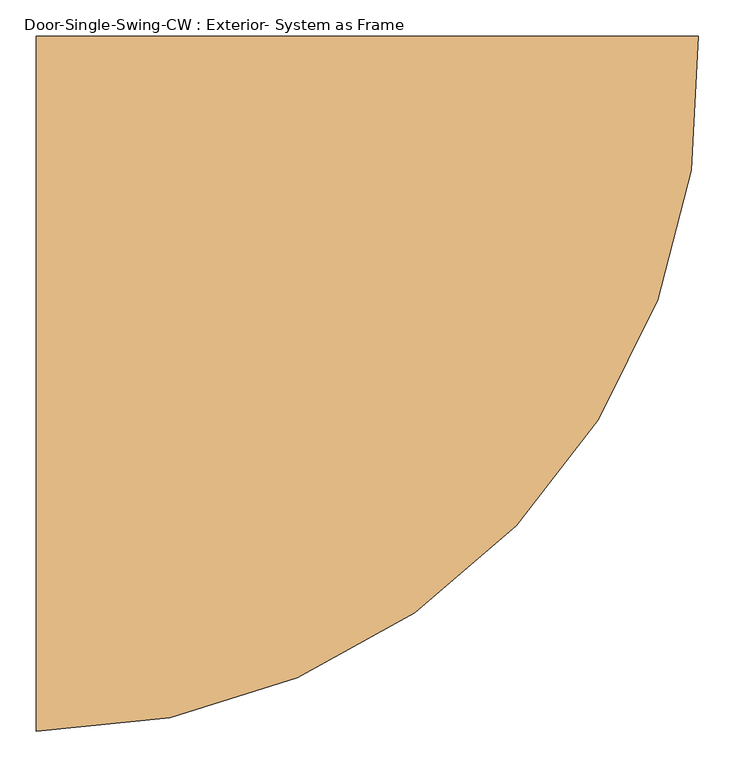
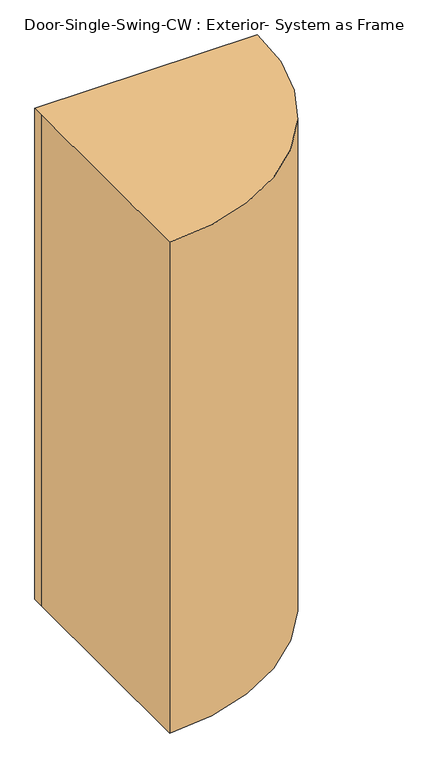
"""IFC4 building model written with IfcOpenShell, lengths in millimetres: door geometry, Door-Single-Swing-CW : Exterior- System as Frame."""

from ifc_helpers import new_model, si_unit, point, frame_2d, origin, origin_with_axes, place, context, project, spatial, polyline, circle_curve, trimmed, segment, composite_curve, outline, extrude, source, transform, mapped, element, save


def door_single_swing_cw_exterior_system_as_frame_e5cd36e4(model_context):
    return source(origin(), model_context, "Body", "SweptSolid", [
        extrude(outline(composite_curve([segment(polyline([(-457.2, 19.05), (456.1189791, 19.05)]), True, "CONTINUOUS"), segment(trimmed(circle_curve(frame_2d((-457.2, -25.4)), 914.4), [point((456.1189791, 19.05))], [point((-457.2, -939.8))], False, "CARTESIAN"), True, "CONTINUOUS"), segment(polyline([(-457.2, -939.8), (-457.2, -25.4), (-457.2, 19.05)]), True, "CONTINUOUS")], self_intersect=False)), origin_with_axes(), (0.0, 0.0, 1.0), 2133.6),
    ])


if __name__ == "__main__":
    model = new_model("IFC4")
    model_context = context("Model", 3, world=origin())
    ifc_project = project(units=[si_unit("LENGTHUNIT", "METRE", prefix="MILLI")], contexts=[model_context])
    site = spatial("IfcSite", under=ifc_project)
    building = spatial("IfcBuilding", under=site)
    placement = place(None, origin())
    door_single_swing_cw_exterior_system_as_frame_shape = door_single_swing_cw_exterior_system_as_frame_e5cd36e4(model_context)
    element("IfcDoor", 1, ObjectType="Door-Single-Swing-CW : Exterior- System as Frame", at=placement, inside=building, context=model_context, shape_type="MappedRepresentation", body=[
        mapped(door_single_swing_cw_exterior_system_as_frame_shape, transform((0.0, 0.0, 0.0), x_axis=(1.0, 0.0, 0.0), y_axis=(0.0, 1.0, 0.0), z_axis=(0.0, 0.0, 1.0))),
    ])
    save(model, "model.ifc")
